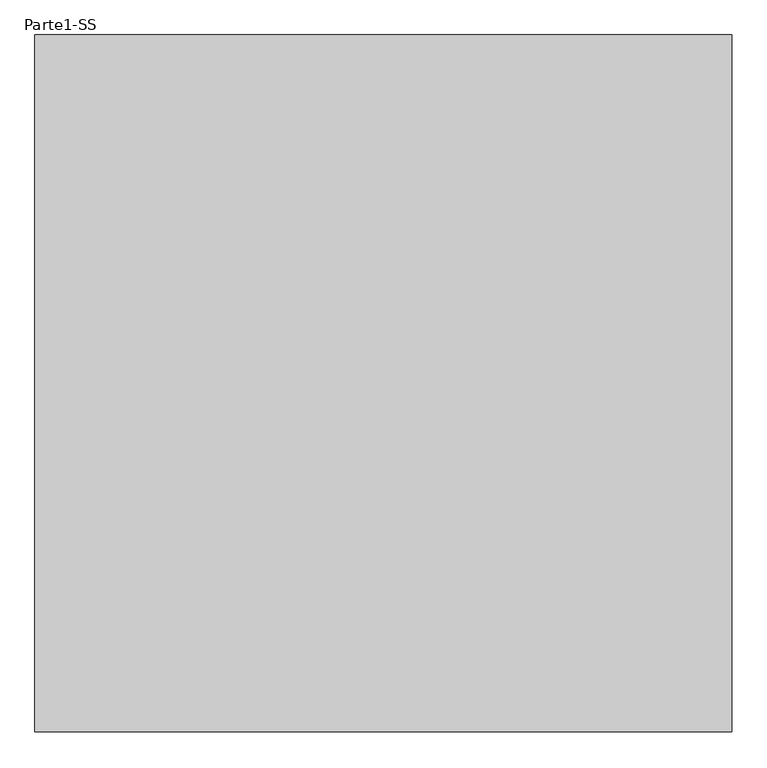
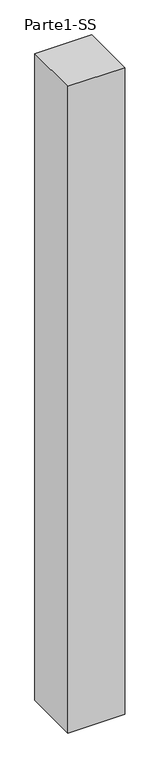
"""IFC4 building model written with IfcOpenShell, lengths in millimetres: proxy geometry, Parte1-SS."""

from ifc_helpers import new_model, si_unit, frame, origin, place, context, project, spatial, polyline, outline, extrude, source, transform, mapped, element, save


def parte1_ss_333972f8(model_context):
    return source(origin(), model_context, "Body", "SweptSolid", [
        extrude(outline(polyline([(10000.0, 10000.0), (10000.0, 0.0), (0.0, 0.0), (0.0, 10000.0), (10000.0, 10000.0)])), frame((0.0, 0.0, 25000.0), z_axis=(0.0, 0.0, 1.0), x_axis=(1.0, 0.0, 0.0)), (0.0, 0.0, 1.0), 120000.0),
    ])


if __name__ == "__main__":
    model = new_model("IFC4")
    model_context = context("Model", 3, world=origin())
    ifc_project = project(units=[si_unit("LENGTHUNIT", "METRE", prefix="MILLI")], contexts=[model_context])
    site = spatial("IfcSite", under=ifc_project)
    building = spatial("IfcBuilding", under=site)
    placement = place(None, origin())
    parte1_ss_shape = parte1_ss_333972f8(model_context)
    element("IfcBuildingElementProxy", 1, Name="Parte1-SS", ObjectType="Parte1-SS", at=placement, inside=building, context=model_context, shape_type="MappedRepresentation", body=[
        mapped(parte1_ss_shape, transform((0.0, 0.0, 0.0), x_axis=(1.0, 0.0, 0.0), y_axis=(0.0, 1.0, 0.0), z_axis=(0.0, 0.0, 1.0))),
    ])
    save(model, "model.ifc")
